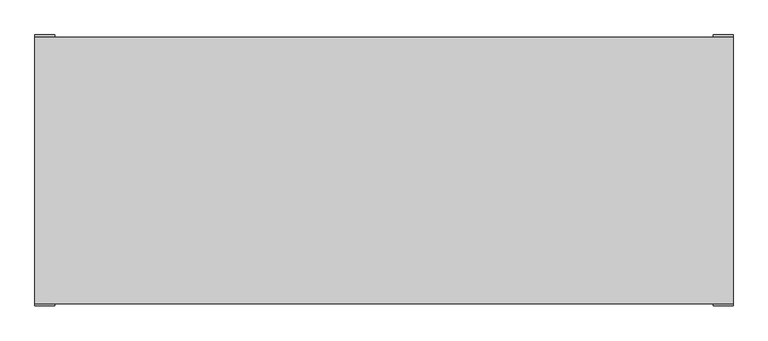
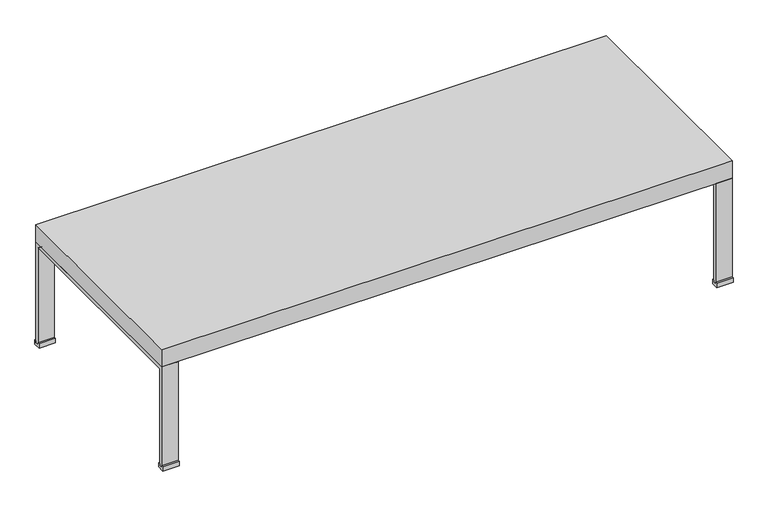
"""IFC4 building model written with IfcOpenShell, lengths in millimetres: furniture geometry."""

from ifc_helpers import new_model, si_unit, point, frame, frame_2d, origin, place, context, project, spatial, polyline, circle_curve, trimmed, segment, composite_curve, outline, extrude, source, transform, mapped, element, save


def furniture_95b172bf(model_context):
    return source(origin(), model_context, "Body", "SweptSolid", [
        extrude(outline(polyline([(299.9878906, 12.7), (304.7503906, 12.7), (304.7503906, 0.0), (285.2042969, 0.0), (285.2042969, 12.7), (289.9667969, 12.7), (289.9667969, 6.35), (299.9878906, 6.35), (299.9878906, 12.7)])), frame((739.9734375, 0.0, 0.0), z_axis=(1.0, 0.0, 0.0), x_axis=(0.0, 1.0, 0.0)), (0.0, 0.0, 1.0), 45.0453125),
        extrude(outline(polyline([(-299.9878906, 12.7), (-299.9878906, 6.35), (-289.9667969, 6.35), (-289.9667969, 12.7), (-285.2042969, 12.7), (-285.2042969, 0.0), (-304.7503906, 0.0), (-304.7503906, 12.7), (-299.9878906, 12.7)])), frame((739.9734375, 0.0, 0.0), z_axis=(1.0, 0.0, 0.0), x_axis=(0.0, 1.0, 0.0)), (0.0, 0.0, 1.0), 45.0453125),
        extrude(outline(composite_curve([segment(polyline([(-289.9667969, 6.35), (-299.9878906, 6.35), (-299.9878906, 300.0000023), (299.9878906, 300.0000023), (299.9878906, 6.35), (289.9667969, 6.35), (289.9667969, 286.8250313)]), True, "CONTINUOUS"), segment(trimmed(circle_curve(frame_2d((286.7917969, 286.8250313)), 3.175), [point((289.9667969, 286.8250313))], [point((286.7917969, 290.0000313))], True, "CARTESIAN"), True, "CONTINUOUS"), segment(polyline([(286.7917969, 290.0000313), (-286.7917969, 290.0000313)]), True, "CONTINUOUS"), segment(trimmed(circle_curve(frame_2d((-286.7917969, 286.8250313)), 3.175), [point((-286.7917969, 290.0000313))], [point((-289.9667969, 286.8250313))], True, "CARTESIAN"), True, "CONTINUOUS"), segment(polyline([(-289.9667969, 286.8250313), (-289.9667969, 6.35)]), True, "CONTINUOUS")], self_intersect=False)), frame((739.9734375, 0.0, 0.0), z_axis=(1.0, 0.0, 0.0), x_axis=(0.0, 1.0, 0.0)), (0.0, 0.0, 1.0), 45.0453125),
        extrude(outline(polyline([(299.9878906, 12.7), (304.7503906, 12.7), (304.7503906, 0.0), (285.2042969, 0.0), (285.2042969, 12.7), (289.9667969, 12.7), (289.9667969, 6.35), (299.9878906, 6.35), (299.9878906, 12.7)])), frame((-785.01875, 0.0, 0.0), z_axis=(1.0, 0.0, 0.0), x_axis=(0.0, 1.0, 0.0)), (0.0, 0.0, 1.0), 45.0453125),
        extrude(outline(polyline([(-299.9878906, 12.7), (-299.9878906, 6.35), (-289.9667969, 6.35), (-289.9667969, 12.7), (-285.2042969, 12.7), (-285.2042969, 0.0), (-304.7503906, 0.0), (-304.7503906, 12.7), (-299.9878906, 12.7)])), frame((-785.01875, 0.0, 0.0), z_axis=(1.0, 0.0, 0.0), x_axis=(0.0, 1.0, 0.0)), (0.0, 0.0, 1.0), 45.0453125),
        extrude(outline(polyline([(785.01875, 299.9878906), (785.01875, -299.9878906), (-785.01875, -299.9878906), (-785.01875, 299.9878906), (785.01875, 299.9878906)])), frame((0.0, 0.0, 300.0000023), z_axis=(0.0, 0.0, 1.0), x_axis=(1.0, 0.0, 0.0)), (0.0, 0.0, 1.0), 50.0437477),
        extrude(outline(composite_curve([segment(polyline([(-289.9667969, 6.35), (-299.9878906, 6.35), (-299.9878906, 300.0000023), (299.9878906, 300.0000023), (299.9878906, 6.35), (289.9667969, 6.35), (289.9667969, 286.8250313)]), True, "CONTINUOUS"), segment(trimmed(circle_curve(frame_2d((286.7917969, 286.8250313)), 3.175), [point((289.9667969, 286.8250313))], [point((286.7917969, 290.0000313))], True, "CARTESIAN"), True, "CONTINUOUS"), segment(polyline([(286.7917969, 290.0000313), (-286.7917969, 290.0000313)]), True, "CONTINUOUS"), segment(trimmed(circle_curve(frame_2d((-286.7917969, 286.8250313)), 3.175), [point((-286.7917969, 290.0000313))], [point((-289.9667969, 286.8250313))], True, "CARTESIAN"), True, "CONTINUOUS"), segment(polyline([(-289.9667969, 286.8250313), (-289.9667969, 6.35)]), True, "CONTINUOUS")], self_intersect=False)), frame((-785.01875, 0.0, 0.0), z_axis=(1.0, 0.0, 0.0), x_axis=(0.0, 1.0, 0.0)), (0.0, 0.0, 1.0), 45.0453125),
    ])


if __name__ == "__main__":
    model = new_model("IFC4")
    model_context = context("Model", 3, world=origin())
    ifc_project = project(units=[si_unit("LENGTHUNIT", "METRE", prefix="MILLI")], contexts=[model_context])
    site = spatial("IfcSite", under=ifc_project)
    building = spatial("IfcBuilding", under=site)
    placement = place(None, origin())
    furniture_shape = furniture_95b172bf(model_context)
    element("IfcFurniture", 1, at=placement, inside=building, context=model_context, shape_type="MappedRepresentation", body=[
        mapped(furniture_shape, transform((0.0, 0.0, 0.0), x_axis=(1.0, 0.0, 0.0), y_axis=(0.0, 1.0, 0.0), z_axis=(0.0, 0.0, 1.0))),
    ])
    save(model, "model.ifc")
